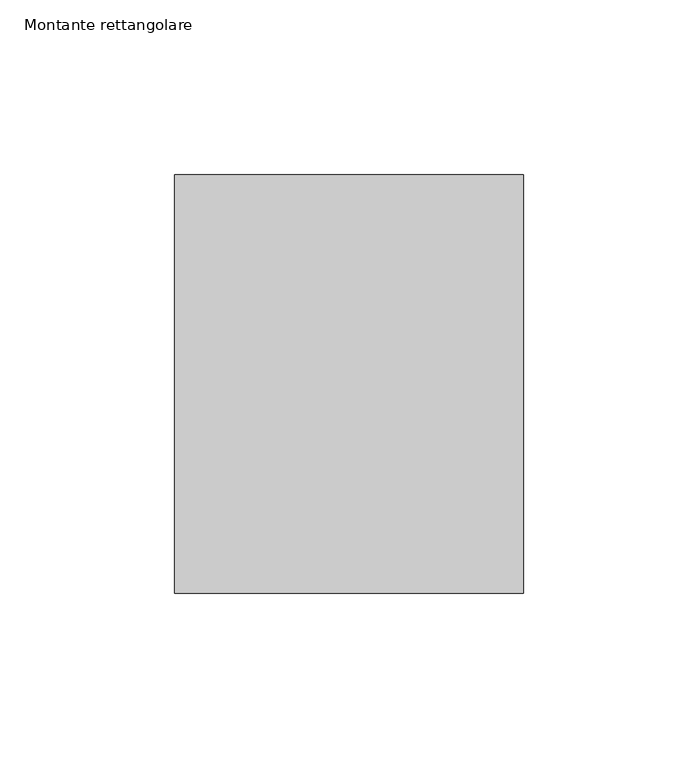
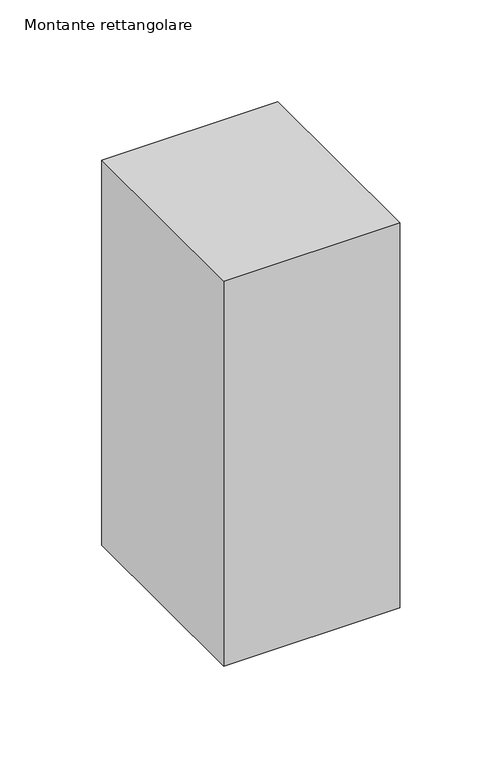
"""IFC4 building model written with IfcOpenShell, lengths in millimetres: member geometry, Montante rettangolare."""

from ifc_helpers import new_model, si_unit, frame, origin, place, context, project, spatial, polyline, outline, extrude, source, transform, mapped, element, save


def montante_rettangolare_a1f408bd(model_context):
    return source(origin(), model_context, "Body", "SweptSolid", [
        extrude(outline(polyline([(50.0, 60.0), (50.0, -60.0), (-50.0, -60.0), (-50.0, 60.0), (50.0, 60.0)])), frame((0.0, 0.0, -231.0005425), z_axis=(0.0, 0.0, 1.0), x_axis=(1.0, 0.0, 0.0)), (0.0, 0.0, 1.0), 231.0005425),
    ])


if __name__ == "__main__":
    model = new_model("IFC4")
    model_context = context("Model", 3, world=origin())
    ifc_project = project(units=[si_unit("LENGTHUNIT", "METRE", prefix="MILLI")], contexts=[model_context])
    site = spatial("IfcSite", under=ifc_project)
    building = spatial("IfcBuilding", under=site)
    placement = place(None, origin())
    montante_rettangolare_shape = montante_rettangolare_a1f408bd(model_context)
    element("IfcMember", 1, ObjectType="Montante rettangolare", at=placement, inside=building, context=model_context, shape_type="MappedRepresentation", body=[
        mapped(montante_rettangolare_shape, transform((0.0, 0.0, 0.0), x_axis=(1.0, 0.0, 0.0), y_axis=(0.0, 1.0, 0.0), z_axis=(0.0, 0.0, 1.0))),
    ])
    save(model, "model.ifc")
